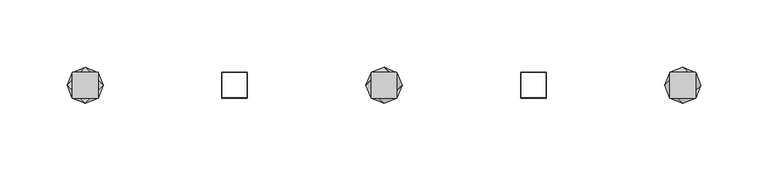
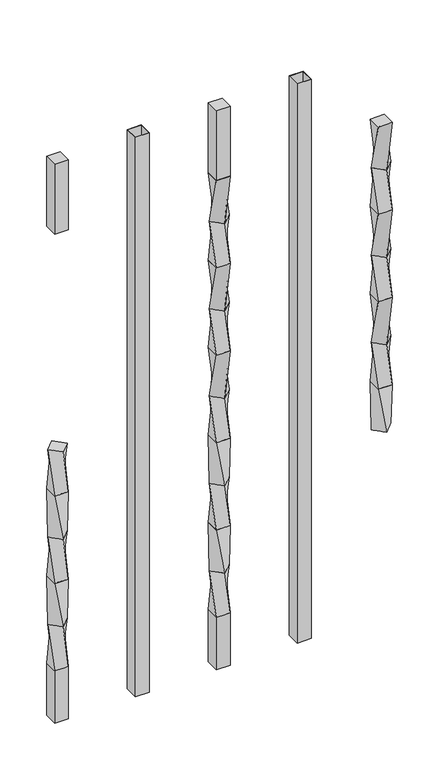
"""IFC4 building model written with IfcOpenShell, lengths in millimetres: railing geometry."""

from ifc_helpers import new_model, si_unit, frame, origin, place, context, project, spatial, polyline, outline, extrude, source, transform, mapped, element, save
from ifc_brep_helpers import plane_surface, spline_surface, advanced_brep


def railing_976fb2fc(model_context):
    return source(origin(), model_context, "Body", "SolidModel", [
        advanced_brep(
        [(17203.1798122, -60563.4367982, 495.2958781), (17216.6501964, -60549.966414, 495.2958781), (17203.1798122, -60536.4960298, 495.2958781), (17189.709428, -60549.966414, 495.2958781), (17212.7048122, -60559.491414, 431.7958781), (17193.6548122, -60559.491414, 431.7958781), (17193.6548122, -60540.441414, 431.7958781), (17212.7048122, -60540.441414, 431.7958781)],
        [
            (0, 1),
            (1, 2),
            (2, 3),
            (3, 0),
            (4, 5),
            (5, 6),
            (6, 7),
            (7, 4),
            (7, 1),
            (0, 4),
            (6, 2),
            (5, 3),
        ],
        [
            plane_surface(frame((17203.1798122, -60549.966414, 495.2958781), z_axis=(0.0, 0.0, 1.0), x_axis=(0.7071067811865477, -0.7071067811865474, 0.0))),
            plane_surface(frame((17203.1798122, -60549.966414, 431.7958781), z_axis=(0.0, 0.0, -1.0), x_axis=(0.7071067811865477, -0.7071067811865474, 0.0))),
            spline_surface(1, 1, [[(17212.7048122, -60559.491414, 431.7958781), (17203.1798122, -60563.4367982, 495.2958781)], [(17212.7048122, -60540.441414, 431.7958781), (17216.6501964, -60549.966414, 495.2958781)]], [2, 2], [2, 2], [0.0, 1.0], [0.0, 1.0]),
            spline_surface(1, 1, [[(17212.7048122, -60540.441414, 431.7958781), (17216.6501964, -60549.966414, 495.2958781)], [(17193.6548122, -60540.441414, 431.7958781), (17203.1798122, -60536.4960298, 495.2958781)]], [2, 2], [2, 2], [0.0, 1.0], [0.0, 1.0]),
            spline_surface(1, 1, [[(17193.6548122, -60540.441414, 431.7958781), (17203.1798122, -60536.4960298, 495.2958781)], [(17193.6548122, -60559.491414, 431.7958781), (17189.709428, -60549.966414, 495.2958781)]], [2, 2], [2, 2], [0.0, 1.0], [0.0, 1.0]),
            spline_surface(1, 1, [[(17193.6548122, -60559.491414, 431.7958781), (17189.709428, -60549.966414, 495.2958781)], [(17212.7048122, -60559.491414, 431.7958781), (17203.1798122, -60563.4367982, 495.2958781)]], [2, 2], [2, 2], [0.0, 1.0], [0.0, 1.0]),
        ],
        [
            (0, [[1, 2, 3, 4]]),
            (1, [[5, 6, 7, 8]]),
            (2, [[-8, 9, -1, 10]]),
            (3, [[-7, 11, -2, -9]]),
            (4, [[-6, 12, -3, -11]]),
            (5, [[-5, -10, -4, -12]]),
        ],
    ),
        advanced_brep(
        [(17212.7048122, -60559.491414, 431.7958781), (17212.7048122, -60540.441414, 431.7958781), (17193.6548122, -60540.441414, 431.7958781), (17193.6548122, -60559.491414, 431.7958781), (17216.6501964, -60549.966414, 368.2958781), (17203.1798122, -60563.4367982, 368.2958781), (17189.709428, -60549.966414, 368.2958781), (17203.1798122, -60536.4960298, 368.2958781)],
        [
            (0, 1),
            (1, 2),
            (2, 3),
            (3, 0),
            (4, 5),
            (5, 6),
            (6, 7),
            (7, 4),
            (7, 1),
            (0, 4),
            (6, 2),
            (5, 3),
        ],
        [
            plane_surface(frame((17203.1798122, -60549.966414, 431.7958781), z_axis=(0.0, 0.0, 1.0), x_axis=(0.0, 1.0, 0.0))),
            plane_surface(frame((17203.1798122, -60549.966414, 368.2958781), z_axis=(0.0, 0.0, -1.0), x_axis=(0.0, 1.0, 0.0))),
            spline_surface(1, 1, [[(17216.6501964, -60549.966414, 368.2958781), (17212.7048122, -60559.491414, 431.7958781)], [(17203.1798122, -60536.4960298, 368.2958781), (17212.7048122, -60540.441414, 431.7958781)]], [2, 2], [2, 2], [0.0, 1.0], [0.0, 1.0]),
            spline_surface(1, 1, [[(17203.1798122, -60536.4960298, 368.2958781), (17212.7048122, -60540.441414, 431.7958781)], [(17189.709428, -60549.966414, 368.2958781), (17193.6548122, -60540.441414, 431.7958781)]], [2, 2], [2, 2], [0.0, 1.0], [0.0, 1.0]),
            spline_surface(1, 1, [[(17189.709428, -60549.966414, 368.2958781), (17193.6548122, -60540.441414, 431.7958781)], [(17203.1798122, -60563.4367982, 368.2958781), (17193.6548122, -60559.491414, 431.7958781)]], [2, 2], [2, 2], [0.0, 1.0], [0.0, 1.0]),
            spline_surface(1, 1, [[(17203.1798122, -60563.4367982, 368.2958781), (17193.6548122, -60559.491414, 431.7958781)], [(17216.6501964, -60549.966414, 368.2958781), (17212.7048122, -60559.491414, 431.7958781)]], [2, 2], [2, 2], [0.0, 1.0], [0.0, 1.0]),
        ],
        [
            (0, [[1, 2, 3, 4]]),
            (1, [[5, 6, 7, 8]]),
            (2, [[-8, 9, -1, 10]]),
            (3, [[-7, 11, -2, -9]]),
            (4, [[-6, 12, -3, -11]]),
            (5, [[-5, -10, -4, -12]]),
        ],
    ),
        advanced_brep(
        [(17203.1798122, -60563.4367982, 368.2958781), (17216.6501964, -60549.966414, 368.2958781), (17203.1798122, -60536.4960298, 368.2958781), (17189.709428, -60549.966414, 368.2958781), (17212.7048122, -60559.491414, 304.7958781), (17193.6548122, -60559.491414, 304.7958781), (17193.6548122, -60540.441414, 304.7958781), (17212.7048122, -60540.441414, 304.7958781)],
        [
            (0, 1),
            (1, 2),
            (2, 3),
            (3, 0),
            (4, 5),
            (5, 6),
            (6, 7),
            (7, 4),
            (7, 1),
            (0, 4),
            (6, 2),
            (5, 3),
        ],
        [
            plane_surface(frame((17203.1798122, -60549.966414, 368.2958781), z_axis=(0.0, 0.0, 1.0), x_axis=(0.7071067811865477, -0.7071067811865475, 0.0))),
            plane_surface(frame((17203.1798122, -60549.966414, 304.7958781), z_axis=(0.0, 0.0, -1.0), x_axis=(0.7071067811865477, -0.7071067811865475, 0.0))),
            spline_surface(1, 1, [[(17212.7048122, -60559.491414, 304.7958781), (17203.1798122, -60563.4367982, 368.2958781)], [(17212.7048122, -60540.441414, 304.7958781), (17216.6501964, -60549.966414, 368.2958781)]], [2, 2], [2, 2], [0.0, 1.0], [0.0, 1.0]),
            spline_surface(1, 1, [[(17212.7048122, -60540.441414, 304.7958781), (17216.6501964, -60549.966414, 368.2958781)], [(17193.6548122, -60540.441414, 304.7958781), (17203.1798122, -60536.4960298, 368.2958781)]], [2, 2], [2, 2], [0.0, 1.0], [0.0, 1.0]),
            spline_surface(1, 1, [[(17193.6548122, -60540.441414, 304.7958781), (17203.1798122, -60536.4960298, 368.2958781)], [(17193.6548122, -60559.491414, 304.7958781), (17189.709428, -60549.966414, 368.2958781)]], [2, 2], [2, 2], [0.0, 1.0], [0.0, 1.0]),
            spline_surface(1, 1, [[(17193.6548122, -60559.491414, 304.7958781), (17189.709428, -60549.966414, 368.2958781)], [(17212.7048122, -60559.491414, 304.7958781), (17203.1798122, -60563.4367982, 368.2958781)]], [2, 2], [2, 2], [0.0, 1.0], [0.0, 1.0]),
        ],
        [
            (0, [[1, 2, 3, 4]]),
            (1, [[5, 6, 7, 8]]),
            (2, [[-8, 9, -1, 10]]),
            (3, [[-7, 11, -2, -9]]),
            (4, [[-6, 12, -3, -11]]),
            (5, [[-5, -10, -4, -12]]),
        ],
    ),
        advanced_brep(
        [(17212.7048122, -60559.491414, 304.7958781), (17212.7048122, -60540.441414, 304.7958781), (17193.6548122, -60540.441414, 304.7958781), (17193.6548122, -60559.491414, 304.7958781), (17216.6501964, -60549.966414, 241.2958781), (17203.1798122, -60563.4367982, 241.2958781), (17189.709428, -60549.966414, 241.2958781), (17203.1798122, -60536.4960298, 241.2958781)],
        [
            (0, 1),
            (1, 2),
            (2, 3),
            (3, 0),
            (4, 5),
            (5, 6),
            (6, 7),
            (7, 4),
            (7, 1),
            (0, 4),
            (6, 2),
            (5, 3),
        ],
        [
            plane_surface(frame((17203.1798122, -60549.966414, 304.7958781), z_axis=(0.0, 0.0, 1.0), x_axis=(0.0, 1.0, 0.0))),
            plane_surface(frame((17203.1798122, -60549.966414, 241.2958781), z_axis=(0.0, 0.0, -1.0), x_axis=(0.0, 1.0, 0.0))),
            spline_surface(1, 1, [[(17216.6501964, -60549.966414, 241.2958781), (17212.7048122, -60559.491414, 304.7958781)], [(17203.1798122, -60536.4960298, 241.2958781), (17212.7048122, -60540.441414, 304.7958781)]], [2, 2], [2, 2], [0.0, 1.0], [0.0, 1.0]),
            spline_surface(1, 1, [[(17203.1798122, -60536.4960298, 241.2958781), (17212.7048122, -60540.441414, 304.7958781)], [(17189.709428, -60549.966414, 241.2958781), (17193.6548122, -60540.441414, 304.7958781)]], [2, 2], [2, 2], [0.0, 1.0], [0.0, 1.0]),
            spline_surface(1, 1, [[(17189.709428, -60549.966414, 241.2958781), (17193.6548122, -60540.441414, 304.7958781)], [(17203.1798122, -60563.4367982, 241.2958781), (17193.6548122, -60559.491414, 304.7958781)]], [2, 2], [2, 2], [0.0, 1.0], [0.0, 1.0]),
            spline_surface(1, 1, [[(17203.1798122, -60563.4367982, 241.2958781), (17193.6548122, -60559.491414, 304.7958781)], [(17216.6501964, -60549.966414, 241.2958781), (17212.7048122, -60559.491414, 304.7958781)]], [2, 2], [2, 2], [0.0, 1.0], [0.0, 1.0]),
        ],
        [
            (0, [[1, 2, 3, 4]]),
            (1, [[5, 6, 7, 8]]),
            (2, [[-8, 9, -1, 10]]),
            (3, [[-7, 11, -2, -9]]),
            (4, [[-6, 12, -3, -11]]),
            (5, [[-5, -10, -4, -12]]),
        ],
    ),
        advanced_brep(
        [(17203.1798122, -60563.4367982, 241.2958781), (17216.6501964, -60549.966414, 241.2958781), (17203.1798122, -60536.4960298, 241.2958781), (17189.709428, -60549.966414, 241.2958781), (17212.7048122, -60559.491414, 177.7958781), (17193.6548122, -60559.491414, 177.7958781), (17193.6548122, -60540.441414, 177.7958781), (17212.7048122, -60540.441414, 177.7958781)],
        [
            (0, 1),
            (1, 2),
            (2, 3),
            (3, 0),
            (4, 5),
            (5, 6),
            (6, 7),
            (7, 4),
            (7, 1),
            (0, 4),
            (6, 2),
            (5, 3),
        ],
        [
            plane_surface(frame((17203.1798122, -60549.966414, 241.2958781), z_axis=(0.0, 0.0, 1.0), x_axis=(0.7071067811865478, 0.7071067811865474, 0.0))),
            plane_surface(frame((17203.1798122, -60549.966414, 177.7958781), z_axis=(0.0, 0.0, -1.0), x_axis=(0.7071067811865478, 0.7071067811865474, 0.0))),
            spline_surface(1, 1, [[(17212.7048122, -60559.491414, 177.7958781), (17203.1798122, -60563.4367982, 241.2958781)], [(17212.7048122, -60540.441414, 177.7958781), (17216.6501964, -60549.966414, 241.2958781)]], [2, 2], [2, 2], [0.0, 1.0], [0.0, 1.0]),
            spline_surface(1, 1, [[(17212.7048122, -60540.441414, 177.7958781), (17216.6501964, -60549.966414, 241.2958781)], [(17193.6548122, -60540.441414, 177.7958781), (17203.1798122, -60536.4960298, 241.2958781)]], [2, 2], [2, 2], [0.0, 1.0], [0.0, 1.0]),
            spline_surface(1, 1, [[(17193.6548122, -60540.441414, 177.7958781), (17203.1798122, -60536.4960298, 241.2958781)], [(17193.6548122, -60559.491414, 177.7958781), (17189.709428, -60549.966414, 241.2958781)]], [2, 2], [2, 2], [0.0, 1.0], [0.0, 1.0]),
            spline_surface(1, 1, [[(17193.6548122, -60559.491414, 177.7958781), (17189.709428, -60549.966414, 241.2958781)], [(17212.7048122, -60559.491414, 177.7958781), (17203.1798122, -60563.4367982, 241.2958781)]], [2, 2], [2, 2], [0.0, 1.0], [0.0, 1.0]),
        ],
        [
            (0, [[1, 2, 3, 4]]),
            (1, [[5, 6, 7, 8]]),
            (2, [[-8, 9, -1, 10]]),
            (3, [[-7, 11, -2, -9]]),
            (4, [[-6, 12, -3, -11]]),
            (5, [[-5, -10, -4, -12]]),
        ],
    ),
        extrude(outline(polyline([(17212.7048122, -60559.491414), (17193.6548122, -60559.491414), (17193.6548122, -60540.441414), (17212.7048122, -60540.441414), (17212.7048122, -60559.491414)])), frame((0.0, 0.0, 812.7958781), z_axis=(0.0, 0.0, 1.0), x_axis=(1.0, 0.0, 0.0)), (0.0, 0.0, 1.0), 101.6041219),
        extrude(outline(polyline([(17212.7048122, -60559.491414), (17193.6548122, -60559.491414), (17193.6548122, -60540.441414), (17212.7048122, -60540.441414), (17212.7048122, -60559.491414)])), frame((0.0, 0.0, 101.5958781), z_axis=(0.0, 0.0, 1.0), x_axis=(1.0, 0.0, 0.0)), (0.0, 0.0, 1.0), 76.2),
        extrude(outline(polyline([(17323.9568122, -60559.491414), (17304.9068122, -60559.491414), (17304.9068122, -60540.441414), (17323.9568122, -60540.441414), (17323.9568122, -60559.491414)]), holes=[polyline([(17323.5599372, -60559.094539), (17323.5599372, -60540.838289), (17305.3036872, -60540.838289), (17305.3036872, -60559.094539), (17323.5599372, -60559.094539)])]), frame((0.0, 0.0, 101.5958781), z_axis=(0.0, 0.0, 1.0), x_axis=(1.0, 0.0, 0.0)), (0.0, 0.0, 1.0), 812.8041219),
        advanced_brep(
        [(17416.1588122, -60559.491414, 812.7958781), (17435.2088122, -60559.491414, 812.7958781), (17435.2088122, -60540.441414, 812.7958781), (17416.1588122, -60540.441414, 812.7958781), (17412.213428, -60549.966414, 749.2958781), (17425.6838122, -60536.4960298, 749.2958781), (17439.1541964, -60549.966414, 749.2958781), (17425.6838122, -60563.4367982, 749.2958781)],
        [
            (0, 1),
            (1, 2),
            (2, 3),
            (3, 0),
            (4, 5),
            (5, 6),
            (6, 7),
            (7, 4),
            (7, 1),
            (0, 4),
            (6, 2),
            (5, 3),
        ],
        [
            plane_surface(frame((17425.6838122, -60549.966414, 812.7958781), z_axis=(0.0, 0.0, 1.0), x_axis=(0.0, 1.0, 0.0))),
            plane_surface(frame((17425.6838122, -60549.966414, 749.2958781), z_axis=(0.0, 0.0, -1.0), x_axis=(0.0, 1.0, 0.0))),
            spline_surface(1, 1, [[(17412.213428, -60549.966414, 749.2958781), (17416.1588122, -60559.491414, 812.7958781)], [(17425.6838122, -60563.4367982, 749.2958781), (17435.2088122, -60559.491414, 812.7958781)]], [2, 2], [2, 2], [0.0, 1.0], [0.0, 1.0]),
            spline_surface(1, 1, [[(17425.6838122, -60563.4367982, 749.2958781), (17435.2088122, -60559.491414, 812.7958781)], [(17439.1541964, -60549.966414, 749.2958781), (17435.2088122, -60540.441414, 812.7958781)]], [2, 2], [2, 2], [0.0, 1.0], [0.0, 1.0]),
            spline_surface(1, 1, [[(17439.1541964, -60549.966414, 749.2958781), (17435.2088122, -60540.441414, 812.7958781)], [(17425.6838122, -60536.4960298, 749.2958781), (17416.1588122, -60540.441414, 812.7958781)]], [2, 2], [2, 2], [0.0, 1.0], [0.0, 1.0]),
            spline_surface(1, 1, [[(17425.6838122, -60536.4960298, 749.2958781), (17416.1588122, -60540.441414, 812.7958781)], [(17412.213428, -60549.966414, 749.2958781), (17416.1588122, -60559.491414, 812.7958781)]], [2, 2], [2, 2], [0.0, 1.0], [0.0, 1.0]),
        ],
        [
            (0, [[1, 2, 3, 4]]),
            (1, [[5, 6, 7, 8]]),
            (2, [[-8, 9, -1, 10]]),
            (3, [[-7, 11, -2, -9]]),
            (4, [[-6, 12, -3, -11]]),
            (5, [[-5, -10, -4, -12]]),
        ],
    ),
        advanced_brep(
        [(17425.6838122, -60563.4367982, 749.2958781), (17439.1541964, -60549.966414, 749.2958781), (17425.6838122, -60536.4960298, 749.2958781), (17412.213428, -60549.966414, 749.2958781), (17435.2088122, -60559.491414, 685.7958781), (17416.1588122, -60559.491414, 685.7958781), (17416.1588122, -60540.441414, 685.7958781), (17435.2088122, -60540.441414, 685.7958781)],
        [
            (0, 1),
            (1, 2),
            (2, 3),
            (3, 0),
            (4, 5),
            (5, 6),
            (6, 7),
            (7, 4),
            (7, 1),
            (0, 4),
            (6, 2),
            (5, 3),
        ],
        [
            plane_surface(frame((17425.6838122, -60549.966414, 749.2958781), z_axis=(0.0, 0.0, 1.0), x_axis=(0.7071067811865477, -0.7071067811865474, 0.0))),
            plane_surface(frame((17425.6838122, -60549.966414, 685.7958781), z_axis=(0.0, 0.0, -1.0), x_axis=(0.7071067811865477, -0.7071067811865474, 0.0))),
            spline_surface(1, 1, [[(17435.2088122, -60559.491414, 685.7958781), (17425.6838122, -60563.4367982, 749.2958781)], [(17435.2088122, -60540.441414, 685.7958781), (17439.1541964, -60549.966414, 749.2958781)]], [2, 2], [2, 2], [0.0, 1.0], [0.0, 1.0]),
            spline_surface(1, 1, [[(17435.2088122, -60540.441414, 685.7958781), (17439.1541964, -60549.966414, 749.2958781)], [(17416.1588122, -60540.441414, 685.7958781), (17425.6838122, -60536.4960298, 749.2958781)]], [2, 2], [2, 2], [0.0, 1.0], [0.0, 1.0]),
            spline_surface(1, 1, [[(17416.1588122, -60540.441414, 685.7958781), (17425.6838122, -60536.4960298, 749.2958781)], [(17416.1588122, -60559.491414, 685.7958781), (17412.213428, -60549.966414, 749.2958781)]], [2, 2], [2, 2], [0.0, 1.0], [0.0, 1.0]),
            spline_surface(1, 1, [[(17416.1588122, -60559.491414, 685.7958781), (17412.213428, -60549.966414, 749.2958781)], [(17435.2088122, -60559.491414, 685.7958781), (17425.6838122, -60563.4367982, 749.2958781)]], [2, 2], [2, 2], [0.0, 1.0], [0.0, 1.0]),
        ],
        [
            (0, [[1, 2, 3, 4]]),
            (1, [[5, 6, 7, 8]]),
            (2, [[-8, 9, -1, 10]]),
            (3, [[-7, 11, -2, -9]]),
            (4, [[-6, 12, -3, -11]]),
            (5, [[-5, -10, -4, -12]]),
        ],
    ),
        advanced_brep(
        [(17416.1588122, -60559.491414, 685.7958781), (17435.2088122, -60559.491414, 685.7958781), (17435.2088122, -60540.441414, 685.7958781), (17416.1588122, -60540.441414, 685.7958781), (17412.213428, -60549.966414, 622.2958781), (17425.6838122, -60536.4960298, 622.2958781), (17439.1541964, -60549.966414, 622.2958781), (17425.6838122, -60563.4367982, 622.2958781)],
        [
            (0, 1),
            (1, 2),
            (2, 3),
            (3, 0),
            (4, 5),
            (5, 6),
            (6, 7),
            (7, 4),
            (7, 1),
            (0, 4),
            (6, 2),
            (5, 3),
        ],
        [
            plane_surface(frame((17425.6838122, -60549.966414, 685.7958781), z_axis=(0.0, 0.0, 1.0), x_axis=(0.0, 1.0, 0.0))),
            plane_surface(frame((17425.6838122, -60549.966414, 622.2958781), z_axis=(0.0, 0.0, -1.0), x_axis=(0.0, 1.0, 0.0))),
            spline_surface(1, 1, [[(17412.213428, -60549.966414, 622.2958781), (17416.1588122, -60559.491414, 685.7958781)], [(17425.6838122, -60563.4367982, 622.2958781), (17435.2088122, -60559.491414, 685.7958781)]], [2, 2], [2, 2], [0.0, 1.0], [0.0, 1.0]),
            spline_surface(1, 1, [[(17425.6838122, -60563.4367982, 622.2958781), (17435.2088122, -60559.491414, 685.7958781)], [(17439.1541964, -60549.966414, 622.2958781), (17435.2088122, -60540.441414, 685.7958781)]], [2, 2], [2, 2], [0.0, 1.0], [0.0, 1.0]),
            spline_surface(1, 1, [[(17439.1541964, -60549.966414, 622.2958781), (17435.2088122, -60540.441414, 685.7958781)], [(17425.6838122, -60536.4960298, 622.2958781), (17416.1588122, -60540.441414, 685.7958781)]], [2, 2], [2, 2], [0.0, 1.0], [0.0, 1.0]),
            spline_surface(1, 1, [[(17425.6838122, -60536.4960298, 622.2958781), (17416.1588122, -60540.441414, 685.7958781)], [(17412.213428, -60549.966414, 622.2958781), (17416.1588122, -60559.491414, 685.7958781)]], [2, 2], [2, 2], [0.0, 1.0], [0.0, 1.0]),
        ],
        [
            (0, [[1, 2, 3, 4]]),
            (1, [[5, 6, 7, 8]]),
            (2, [[-8, 9, -1, 10]]),
            (3, [[-7, 11, -2, -9]]),
            (4, [[-6, 12, -3, -11]]),
            (5, [[-5, -10, -4, -12]]),
        ],
    ),
        advanced_brep(
        [(17425.6838122, -60563.4367982, 622.2958781), (17439.1541964, -60549.966414, 622.2958781), (17425.6838122, -60536.4960298, 622.2958781), (17412.213428, -60549.966414, 622.2958781), (17435.2088122, -60559.491414, 558.7958781), (17416.1588122, -60559.491414, 558.7958781), (17416.1588122, -60540.441414, 558.7958781), (17435.2088122, -60540.441414, 558.7958781)],
        [
            (0, 1),
            (1, 2),
            (2, 3),
            (3, 0),
            (4, 5),
            (5, 6),
            (6, 7),
            (7, 4),
            (7, 1),
            (0, 4),
            (6, 2),
            (5, 3),
        ],
        [
            plane_surface(frame((17425.6838122, -60549.966414, 622.2958781), z_axis=(0.0, 0.0, 1.0), x_axis=(0.7071067811865477, -0.7071067811865475, 0.0))),
            plane_surface(frame((17425.6838122, -60549.966414, 558.7958781), z_axis=(0.0, 0.0, -1.0), x_axis=(0.7071067811865477, -0.7071067811865475, 0.0))),
            spline_surface(1, 1, [[(17435.2088122, -60559.491414, 558.7958781), (17425.6838122, -60563.4367982, 622.2958781)], [(17435.2088122, -60540.441414, 558.7958781), (17439.1541964, -60549.966414, 622.2958781)]], [2, 2], [2, 2], [0.0, 1.0], [0.0, 1.0]),
            spline_surface(1, 1, [[(17435.2088122, -60540.441414, 558.7958781), (17439.1541964, -60549.966414, 622.2958781)], [(17416.1588122, -60540.441414, 558.7958781), (17425.6838122, -60536.4960298, 622.2958781)]], [2, 2], [2, 2], [0.0, 1.0], [0.0, 1.0]),
            spline_surface(1, 1, [[(17416.1588122, -60540.441414, 558.7958781), (17425.6838122, -60536.4960298, 622.2958781)], [(17416.1588122, -60559.491414, 558.7958781), (17412.213428, -60549.966414, 622.2958781)]], [2, 2], [2, 2], [0.0, 1.0], [0.0, 1.0]),
            spline_surface(1, 1, [[(17416.1588122, -60559.491414, 558.7958781), (17412.213428, -60549.966414, 622.2958781)], [(17435.2088122, -60559.491414, 558.7958781), (17425.6838122, -60563.4367982, 622.2958781)]], [2, 2], [2, 2], [0.0, 1.0], [0.0, 1.0]),
        ],
        [
            (0, [[1, 2, 3, 4]]),
            (1, [[5, 6, 7, 8]]),
            (2, [[-8, 9, -1, 10]]),
            (3, [[-7, 11, -2, -9]]),
            (4, [[-6, 12, -3, -11]]),
            (5, [[-5, -10, -4, -12]]),
        ],
    ),
        advanced_brep(
        [(17416.1588122, -60559.491414, 558.7958781), (17435.2088122, -60559.491414, 558.7958781), (17435.2088122, -60540.441414, 558.7958781), (17416.1588122, -60540.441414, 558.7958781), (17412.213428, -60549.966414, 495.2958781), (17425.6838122, -60536.4960298, 495.2958781), (17439.1541964, -60549.966414, 495.2958781), (17425.6838122, -60563.4367982, 495.2958781)],
        [
            (0, 1),
            (1, 2),
            (2, 3),
            (3, 0),
            (4, 5),
            (5, 6),
            (6, 7),
            (7, 4),
            (7, 1),
            (0, 4),
            (6, 2),
            (5, 3),
        ],
        [
            plane_surface(frame((17425.6838122, -60549.966414, 558.7958781), z_axis=(0.0, 0.0, 1.0), x_axis=(0.0, 1.0, 0.0))),
            plane_surface(frame((17425.6838122, -60549.966414, 495.2958781), z_axis=(0.0, 0.0, -1.0), x_axis=(0.0, 1.0, 0.0))),
            spline_surface(1, 1, [[(17412.213428, -60549.966414, 495.2958781), (17416.1588122, -60559.491414, 558.7958781)], [(17425.6838122, -60563.4367982, 495.2958781), (17435.2088122, -60559.491414, 558.7958781)]], [2, 2], [2, 2], [0.0, 1.0], [0.0, 1.0]),
            spline_surface(1, 1, [[(17425.6838122, -60563.4367982, 495.2958781), (17435.2088122, -60559.491414, 558.7958781)], [(17439.1541964, -60549.966414, 495.2958781), (17435.2088122, -60540.441414, 558.7958781)]], [2, 2], [2, 2], [0.0, 1.0], [0.0, 1.0]),
            spline_surface(1, 1, [[(17439.1541964, -60549.966414, 495.2958781), (17435.2088122, -60540.441414, 558.7958781)], [(17425.6838122, -60536.4960298, 495.2958781), (17416.1588122, -60540.441414, 558.7958781)]], [2, 2], [2, 2], [0.0, 1.0], [0.0, 1.0]),
            spline_surface(1, 1, [[(17425.6838122, -60536.4960298, 495.2958781), (17416.1588122, -60540.441414, 558.7958781)], [(17412.213428, -60549.966414, 495.2958781), (17416.1588122, -60559.491414, 558.7958781)]], [2, 2], [2, 2], [0.0, 1.0], [0.0, 1.0]),
        ],
        [
            (0, [[1, 2, 3, 4]]),
            (1, [[5, 6, 7, 8]]),
            (2, [[-8, 9, -1, 10]]),
            (3, [[-7, 11, -2, -9]]),
            (4, [[-6, 12, -3, -11]]),
            (5, [[-5, -10, -4, -12]]),
        ],
    ),
        advanced_brep(
        [(17425.6838122, -60563.4367982, 495.2958781), (17439.1541964, -60549.966414, 495.2958781), (17425.6838122, -60536.4960298, 495.2958781), (17412.213428, -60549.966414, 495.2958781), (17435.2088122, -60559.491414, 431.7958781), (17416.1588122, -60559.491414, 431.7958781), (17416.1588122, -60540.441414, 431.7958781), (17435.2088122, -60540.441414, 431.7958781)],
        [
            (0, 1),
            (1, 2),
            (2, 3),
            (3, 0),
            (4, 5),
            (5, 6),
            (6, 7),
            (7, 4),
            (7, 1),
            (0, 4),
            (6, 2),
            (5, 3),
        ],
        [
            plane_surface(frame((17425.6838122, -60549.966414, 495.2958781), z_axis=(0.0, 0.0, 1.0), x_axis=(0.7071067811865477, -0.7071067811865474, 0.0))),
            plane_surface(frame((17425.6838122, -60549.966414, 431.7958781), z_axis=(0.0, 0.0, -1.0), x_axis=(0.7071067811865477, -0.7071067811865474, 0.0))),
            spline_surface(1, 1, [[(17435.2088122, -60559.491414, 431.7958781), (17425.6838122, -60563.4367982, 495.2958781)], [(17435.2088122, -60540.441414, 431.7958781), (17439.1541964, -60549.966414, 495.2958781)]], [2, 2], [2, 2], [0.0, 1.0], [0.0, 1.0]),
            spline_surface(1, 1, [[(17435.2088122, -60540.441414, 431.7958781), (17439.1541964, -60549.966414, 495.2958781)], [(17416.1588122, -60540.441414, 431.7958781), (17425.6838122, -60536.4960298, 495.2958781)]], [2, 2], [2, 2], [0.0, 1.0], [0.0, 1.0]),
            spline_surface(1, 1, [[(17416.1588122, -60540.441414, 431.7958781), (17425.6838122, -60536.4960298, 495.2958781)], [(17416.1588122, -60559.491414, 431.7958781), (17412.213428, -60549.966414, 495.2958781)]], [2, 2], [2, 2], [0.0, 1.0], [0.0, 1.0]),
            spline_surface(1, 1, [[(17416.1588122, -60559.491414, 431.7958781), (17412.213428, -60549.966414, 495.2958781)], [(17435.2088122, -60559.491414, 431.7958781), (17425.6838122, -60563.4367982, 495.2958781)]], [2, 2], [2, 2], [0.0, 1.0], [0.0, 1.0]),
        ],
        [
            (0, [[1, 2, 3, 4]]),
            (1, [[5, 6, 7, 8]]),
            (2, [[-8, 9, -1, 10]]),
            (3, [[-7, 11, -2, -9]]),
            (4, [[-6, 12, -3, -11]]),
            (5, [[-5, -10, -4, -12]]),
        ],
    ),
        advanced_brep(
        [(17435.2088122, -60559.491414, 431.7958781), (17435.2088122, -60540.441414, 431.7958781), (17416.1588122, -60540.441414, 431.7958781), (17416.1588122, -60559.491414, 431.7958781), (17439.1541964, -60549.966414, 368.2958781), (17425.6838122, -60563.4367982, 368.2958781), (17412.213428, -60549.966414, 368.2958781), (17425.6838122, -60536.4960298, 368.2958781)],
        [
            (0, 1),
            (1, 2),
            (2, 3),
            (3, 0),
            (4, 5),
            (5, 6),
            (6, 7),
            (7, 4),
            (7, 1),
            (0, 4),
            (6, 2),
            (5, 3),
        ],
        [
            plane_surface(frame((17425.6838122, -60549.966414, 431.7958781), z_axis=(0.0, 0.0, 1.0), x_axis=(0.0, 1.0, 0.0))),
            plane_surface(frame((17425.6838122, -60549.966414, 368.2958781), z_axis=(0.0, 0.0, -1.0), x_axis=(0.0, 1.0, 0.0))),
            spline_surface(1, 1, [[(17439.1541964, -60549.966414, 368.2958781), (17435.2088122, -60559.491414, 431.7958781)], [(17425.6838122, -60536.4960298, 368.2958781), (17435.2088122, -60540.441414, 431.7958781)]], [2, 2], [2, 2], [0.0, 1.0], [0.0, 1.0]),
            spline_surface(1, 1, [[(17425.6838122, -60536.4960298, 368.2958781), (17435.2088122, -60540.441414, 431.7958781)], [(17412.213428, -60549.966414, 368.2958781), (17416.1588122, -60540.441414, 431.7958781)]], [2, 2], [2, 2], [0.0, 1.0], [0.0, 1.0]),
            spline_surface(1, 1, [[(17412.213428, -60549.966414, 368.2958781), (17416.1588122, -60540.441414, 431.7958781)], [(17425.6838122, -60563.4367982, 368.2958781), (17416.1588122, -60559.491414, 431.7958781)]], [2, 2], [2, 2], [0.0, 1.0], [0.0, 1.0]),
            spline_surface(1, 1, [[(17425.6838122, -60563.4367982, 368.2958781), (17416.1588122, -60559.491414, 431.7958781)], [(17439.1541964, -60549.966414, 368.2958781), (17435.2088122, -60559.491414, 431.7958781)]], [2, 2], [2, 2], [0.0, 1.0], [0.0, 1.0]),
        ],
        [
            (0, [[1, 2, 3, 4]]),
            (1, [[5, 6, 7, 8]]),
            (2, [[-8, 9, -1, 10]]),
            (3, [[-7, 11, -2, -9]]),
            (4, [[-6, 12, -3, -11]]),
            (5, [[-5, -10, -4, -12]]),
        ],
    ),
        advanced_brep(
        [(17425.6838122, -60563.4367982, 368.2958781), (17439.1541964, -60549.966414, 368.2958781), (17425.6838122, -60536.4960298, 368.2958781), (17412.213428, -60549.966414, 368.2958781), (17435.2088122, -60559.491414, 304.7958781), (17416.1588122, -60559.491414, 304.7958781), (17416.1588122, -60540.441414, 304.7958781), (17435.2088122, -60540.441414, 304.7958781)],
        [
            (0, 1),
            (1, 2),
            (2, 3),
            (3, 0),
            (4, 5),
            (5, 6),
            (6, 7),
            (7, 4),
            (7, 1),
            (0, 4),
            (6, 2),
            (5, 3),
        ],
        [
            plane_surface(frame((17425.6838122, -60549.966414, 368.2958781), z_axis=(0.0, 0.0, 1.0), x_axis=(0.7071067811865477, -0.7071067811865475, 0.0))),
            plane_surface(frame((17425.6838122, -60549.966414, 304.7958781), z_axis=(0.0, 0.0, -1.0), x_axis=(0.7071067811865477, -0.7071067811865475, 0.0))),
            spline_surface(1, 1, [[(17435.2088122, -60559.491414, 304.7958781), (17425.6838122, -60563.4367982, 368.2958781)], [(17435.2088122, -60540.441414, 304.7958781), (17439.1541964, -60549.966414, 368.2958781)]], [2, 2], [2, 2], [0.0, 1.0], [0.0, 1.0]),
            spline_surface(1, 1, [[(17435.2088122, -60540.441414, 304.7958781), (17439.1541964, -60549.966414, 368.2958781)], [(17416.1588122, -60540.441414, 304.7958781), (17425.6838122, -60536.4960298, 368.2958781)]], [2, 2], [2, 2], [0.0, 1.0], [0.0, 1.0]),
            spline_surface(1, 1, [[(17416.1588122, -60540.441414, 304.7958781), (17425.6838122, -60536.4960298, 368.2958781)], [(17416.1588122, -60559.491414, 304.7958781), (17412.213428, -60549.966414, 368.2958781)]], [2, 2], [2, 2], [0.0, 1.0], [0.0, 1.0]),
            spline_surface(1, 1, [[(17416.1588122, -60559.491414, 304.7958781), (17412.213428, -60549.966414, 368.2958781)], [(17435.2088122, -60559.491414, 304.7958781), (17425.6838122, -60563.4367982, 368.2958781)]], [2, 2], [2, 2], [0.0, 1.0], [0.0, 1.0]),
        ],
        [
            (0, [[1, 2, 3, 4]]),
            (1, [[5, 6, 7, 8]]),
            (2, [[-8, 9, -1, 10]]),
            (3, [[-7, 11, -2, -9]]),
            (4, [[-6, 12, -3, -11]]),
            (5, [[-5, -10, -4, -12]]),
        ],
    ),
        advanced_brep(
        [(17435.2088122, -60559.491414, 304.7958781), (17435.2088122, -60540.441414, 304.7958781), (17416.1588122, -60540.441414, 304.7958781), (17416.1588122, -60559.491414, 304.7958781), (17439.1541964, -60549.966414, 241.2958781), (17425.6838122, -60563.4367982, 241.2958781), (17412.213428, -60549.966414, 241.2958781), (17425.6838122, -60536.4960298, 241.2958781)],
        [
            (0, 1),
            (1, 2),
            (2, 3),
            (3, 0),
            (4, 5),
            (5, 6),
            (6, 7),
            (7, 4),
            (7, 1),
            (0, 4),
            (6, 2),
            (5, 3),
        ],
        [
            plane_surface(frame((17425.6838122, -60549.966414, 304.7958781), z_axis=(0.0, 0.0, 1.0), x_axis=(0.0, 1.0, 0.0))),
            plane_surface(frame((17425.6838122, -60549.966414, 241.2958781), z_axis=(0.0, 0.0, -1.0), x_axis=(0.0, 1.0, 0.0))),
            spline_surface(1, 1, [[(17439.1541964, -60549.966414, 241.2958781), (17435.2088122, -60559.491414, 304.7958781)], [(17425.6838122, -60536.4960298, 241.2958781), (17435.2088122, -60540.441414, 304.7958781)]], [2, 2], [2, 2], [0.0, 1.0], [0.0, 1.0]),
            spline_surface(1, 1, [[(17425.6838122, -60536.4960298, 241.2958781), (17435.2088122, -60540.441414, 304.7958781)], [(17412.213428, -60549.966414, 241.2958781), (17416.1588122, -60540.441414, 304.7958781)]], [2, 2], [2, 2], [0.0, 1.0], [0.0, 1.0]),
            spline_surface(1, 1, [[(17412.213428, -60549.966414, 241.2958781), (17416.1588122, -60540.441414, 304.7958781)], [(17425.6838122, -60563.4367982, 241.2958781), (17416.1588122, -60559.491414, 304.7958781)]], [2, 2], [2, 2], [0.0, 1.0], [0.0, 1.0]),
            spline_surface(1, 1, [[(17425.6838122, -60563.4367982, 241.2958781), (17416.1588122, -60559.491414, 304.7958781)], [(17439.1541964, -60549.966414, 241.2958781), (17435.2088122, -60559.491414, 304.7958781)]], [2, 2], [2, 2], [0.0, 1.0], [0.0, 1.0]),
        ],
        [
            (0, [[1, 2, 3, 4]]),
            (1, [[5, 6, 7, 8]]),
            (2, [[-8, 9, -1, 10]]),
            (3, [[-7, 11, -2, -9]]),
            (4, [[-6, 12, -3, -11]]),
            (5, [[-5, -10, -4, -12]]),
        ],
    ),
        advanced_brep(
        [(17425.6838122, -60563.4367982, 241.2958781), (17439.1541964, -60549.966414, 241.2958781), (17425.6838122, -60536.4960298, 241.2958781), (17412.213428, -60549.966414, 241.2958781), (17435.2088122, -60559.491414, 177.7958781), (17416.1588122, -60559.491414, 177.7958781), (17416.1588122, -60540.441414, 177.7958781), (17435.2088122, -60540.441414, 177.7958781)],
        [
            (0, 1),
            (1, 2),
            (2, 3),
            (3, 0),
            (4, 5),
            (5, 6),
            (6, 7),
            (7, 4),
            (7, 1),
            (0, 4),
            (6, 2),
            (5, 3),
        ],
        [
            plane_surface(frame((17425.6838122, -60549.966414, 241.2958781), z_axis=(0.0, 0.0, 1.0), x_axis=(0.7071067811865478, 0.7071067811865474, 0.0))),
            plane_surface(frame((17425.6838122, -60549.966414, 177.7958781), z_axis=(0.0, 0.0, -1.0), x_axis=(0.7071067811865478, 0.7071067811865474, 0.0))),
            spline_surface(1, 1, [[(17435.2088122, -60559.491414, 177.7958781), (17425.6838122, -60563.4367982, 241.2958781)], [(17435.2088122, -60540.441414, 177.7958781), (17439.1541964, -60549.966414, 241.2958781)]], [2, 2], [2, 2], [0.0, 1.0], [0.0, 1.0]),
            spline_surface(1, 1, [[(17435.2088122, -60540.441414, 177.7958781), (17439.1541964, -60549.966414, 241.2958781)], [(17416.1588122, -60540.441414, 177.7958781), (17425.6838122, -60536.4960298, 241.2958781)]], [2, 2], [2, 2], [0.0, 1.0], [0.0, 1.0]),
            spline_surface(1, 1, [[(17416.1588122, -60540.441414, 177.7958781), (17425.6838122, -60536.4960298, 241.2958781)], [(17416.1588122, -60559.491414, 177.7958781), (17412.213428, -60549.966414, 241.2958781)]], [2, 2], [2, 2], [0.0, 1.0], [0.0, 1.0]),
            spline_surface(1, 1, [[(17416.1588122, -60559.491414, 177.7958781), (17412.213428, -60549.966414, 241.2958781)], [(17435.2088122, -60559.491414, 177.7958781), (17425.6838122, -60563.4367982, 241.2958781)]], [2, 2], [2, 2], [0.0, 1.0], [0.0, 1.0]),
        ],
        [
            (0, [[1, 2, 3, 4]]),
            (1, [[5, 6, 7, 8]]),
            (2, [[-8, 9, -1, 10]]),
            (3, [[-7, 11, -2, -9]]),
            (4, [[-6, 12, -3, -11]]),
            (5, [[-5, -10, -4, -12]]),
        ],
    ),
        extrude(outline(polyline([(17435.2088122, -60559.491414), (17416.1588122, -60559.491414), (17416.1588122, -60540.441414), (17435.2088122, -60540.441414), (17435.2088122, -60559.491414)])), frame((0.0, 0.0, 812.7958781), z_axis=(0.0, 0.0, 1.0), x_axis=(1.0, 0.0, 0.0)), (0.0, 0.0, 1.0), 101.6041219),
        extrude(outline(polyline([(17435.2088122, -60559.491414), (17416.1588122, -60559.491414), (17416.1588122, -60540.441414), (17435.2088122, -60540.441414), (17435.2088122, -60559.491414)])), frame((0.0, 0.0, 101.5958781), z_axis=(0.0, 0.0, 1.0), x_axis=(1.0, 0.0, 0.0)), (0.0, 0.0, 1.0), 76.2),
        extrude(outline(polyline([(17546.4608122, -60559.491414), (17527.4108122, -60559.491414), (17527.4108122, -60540.441414), (17546.4608122, -60540.441414), (17546.4608122, -60559.491414)]), holes=[polyline([(17546.0639372, -60559.094539), (17546.0639372, -60540.838289), (17527.8076872, -60540.838289), (17527.8076872, -60559.094539), (17546.0639372, -60559.094539)])]), frame((0.0, 0.0, 101.5958781), z_axis=(0.0, 0.0, 1.0), x_axis=(1.0, 0.0, 0.0)), (0.0, 0.0, 1.0), 812.8041219),
        advanced_brep(
        [(17638.6628122, -60559.491414, 812.7958781), (17657.7128122, -60559.491414, 812.7958781), (17657.7128122, -60540.441414, 812.7958781), (17638.6628122, -60540.441414, 812.7958781), (17634.717428, -60549.966414, 749.2958781), (17648.1878122, -60536.4960298, 749.2958781), (17661.6581964, -60549.966414, 749.2958781), (17648.1878122, -60563.4367982, 749.2958781)],
        [
            (0, 1),
            (1, 2),
            (2, 3),
            (3, 0),
            (4, 5),
            (5, 6),
            (6, 7),
            (7, 4),
            (7, 1),
            (0, 4),
            (6, 2),
            (5, 3),
        ],
        [
            plane_surface(frame((17648.1878122, -60549.966414, 812.7958781), z_axis=(0.0, 0.0, 1.0), x_axis=(0.0, 1.0, 0.0))),
            plane_surface(frame((17648.1878122, -60549.966414, 749.2958781), z_axis=(0.0, 0.0, -1.0), x_axis=(0.0, 1.0, 0.0))),
            spline_surface(1, 1, [[(17634.717428, -60549.966414, 749.2958781), (17638.6628122, -60559.491414, 812.7958781)], [(17648.1878122, -60563.4367982, 749.2958781), (17657.7128122, -60559.491414, 812.7958781)]], [2, 2], [2, 2], [0.0, 1.0], [0.0, 1.0]),
            spline_surface(1, 1, [[(17648.1878122, -60563.4367982, 749.2958781), (17657.7128122, -60559.491414, 812.7958781)], [(17661.6581964, -60549.966414, 749.2958781), (17657.7128122, -60540.441414, 812.7958781)]], [2, 2], [2, 2], [0.0, 1.0], [0.0, 1.0]),
            spline_surface(1, 1, [[(17661.6581964, -60549.966414, 749.2958781), (17657.7128122, -60540.441414, 812.7958781)], [(17648.1878122, -60536.4960298, 749.2958781), (17638.6628122, -60540.441414, 812.7958781)]], [2, 2], [2, 2], [0.0, 1.0], [0.0, 1.0]),
            spline_surface(1, 1, [[(17648.1878122, -60536.4960298, 749.2958781), (17638.6628122, -60540.441414, 812.7958781)], [(17634.717428, -60549.966414, 749.2958781), (17638.6628122, -60559.491414, 812.7958781)]], [2, 2], [2, 2], [0.0, 1.0], [0.0, 1.0]),
        ],
        [
            (0, [[1, 2, 3, 4]]),
            (1, [[5, 6, 7, 8]]),
            (2, [[-8, 9, -1, 10]]),
            (3, [[-7, 11, -2, -9]]),
            (4, [[-6, 12, -3, -11]]),
            (5, [[-5, -10, -4, -12]]),
        ],
    ),
        advanced_brep(
        [(17648.1878122, -60563.4367982, 749.2958781), (17661.6581964, -60549.966414, 749.2958781), (17648.1878122, -60536.4960298, 749.2958781), (17634.717428, -60549.966414, 749.2958781), (17657.7128122, -60559.491414, 685.7958781), (17638.6628122, -60559.491414, 685.7958781), (17638.6628122, -60540.441414, 685.7958781), (17657.7128122, -60540.441414, 685.7958781)],
        [
            (0, 1),
            (1, 2),
            (2, 3),
            (3, 0),
            (4, 5),
            (5, 6),
            (6, 7),
            (7, 4),
            (7, 1),
            (0, 4),
            (6, 2),
            (5, 3),
        ],
        [
            plane_surface(frame((17648.1878122, -60549.966414, 749.2958781), z_axis=(0.0, 0.0, 1.0), x_axis=(0.7071067811865477, -0.7071067811865474, 0.0))),
            plane_surface(frame((17648.1878122, -60549.966414, 685.7958781), z_axis=(0.0, 0.0, -1.0), x_axis=(0.7071067811865477, -0.7071067811865474, 0.0))),
            spline_surface(1, 1, [[(17657.7128122, -60559.491414, 685.7958781), (17648.1878122, -60563.4367982, 749.2958781)], [(17657.7128122, -60540.441414, 685.7958781), (17661.6581964, -60549.966414, 749.2958781)]], [2, 2], [2, 2], [0.0, 1.0], [0.0, 1.0]),
            spline_surface(1, 1, [[(17657.7128122, -60540.441414, 685.7958781), (17661.6581964, -60549.966414, 749.2958781)], [(17638.6628122, -60540.441414, 685.7958781), (17648.1878122, -60536.4960298, 749.2958781)]], [2, 2], [2, 2], [0.0, 1.0], [0.0, 1.0]),
            spline_surface(1, 1, [[(17638.6628122, -60540.441414, 685.7958781), (17648.1878122, -60536.4960298, 749.2958781)], [(17638.6628122, -60559.491414, 685.7958781), (17634.717428, -60549.966414, 749.2958781)]], [2, 2], [2, 2], [0.0, 1.0], [0.0, 1.0]),
            spline_surface(1, 1, [[(17638.6628122, -60559.491414, 685.7958781), (17634.717428, -60549.966414, 749.2958781)], [(17657.7128122, -60559.491414, 685.7958781), (17648.1878122, -60563.4367982, 749.2958781)]], [2, 2], [2, 2], [0.0, 1.0], [0.0, 1.0]),
        ],
        [
            (0, [[1, 2, 3, 4]]),
            (1, [[5, 6, 7, 8]]),
            (2, [[-8, 9, -1, 10]]),
            (3, [[-7, 11, -2, -9]]),
            (4, [[-6, 12, -3, -11]]),
            (5, [[-5, -10, -4, -12]]),
        ],
    ),
        advanced_brep(
        [(17638.6628122, -60559.491414, 685.7958781), (17657.7128122, -60559.491414, 685.7958781), (17657.7128122, -60540.441414, 685.7958781), (17638.6628122, -60540.441414, 685.7958781), (17634.717428, -60549.966414, 622.2958781), (17648.1878122, -60536.4960298, 622.2958781), (17661.6581964, -60549.966414, 622.2958781), (17648.1878122, -60563.4367982, 622.2958781)],
        [
            (0, 1),
            (1, 2),
            (2, 3),
            (3, 0),
            (4, 5),
            (5, 6),
            (6, 7),
            (7, 4),
            (7, 1),
            (0, 4),
            (6, 2),
            (5, 3),
        ],
        [
            plane_surface(frame((17648.1878122, -60549.966414, 685.7958781), z_axis=(0.0, 0.0, 1.0), x_axis=(0.0, 1.0, 0.0))),
            plane_surface(frame((17648.1878122, -60549.966414, 622.2958781), z_axis=(0.0, 0.0, -1.0), x_axis=(0.0, 1.0, 0.0))),
            spline_surface(1, 1, [[(17634.717428, -60549.966414, 622.2958781), (17638.6628122, -60559.491414, 685.7958781)], [(17648.1878122, -60563.4367982, 622.2958781), (17657.7128122, -60559.491414, 685.7958781)]], [2, 2], [2, 2], [0.0, 1.0], [0.0, 1.0]),
            spline_surface(1, 1, [[(17648.1878122, -60563.4367982, 622.2958781), (17657.7128122, -60559.491414, 685.7958781)], [(17661.6581964, -60549.966414, 622.2958781), (17657.7128122, -60540.441414, 685.7958781)]], [2, 2], [2, 2], [0.0, 1.0], [0.0, 1.0]),
            spline_surface(1, 1, [[(17661.6581964, -60549.966414, 622.2958781), (17657.7128122, -60540.441414, 685.7958781)], [(17648.1878122, -60536.4960298, 622.2958781), (17638.6628122, -60540.441414, 685.7958781)]], [2, 2], [2, 2], [0.0, 1.0], [0.0, 1.0]),
            spline_surface(1, 1, [[(17648.1878122, -60536.4960298, 622.2958781), (17638.6628122, -60540.441414, 685.7958781)], [(17634.717428, -60549.966414, 622.2958781), (17638.6628122, -60559.491414, 685.7958781)]], [2, 2], [2, 2], [0.0, 1.0], [0.0, 1.0]),
        ],
        [
            (0, [[1, 2, 3, 4]]),
            (1, [[5, 6, 7, 8]]),
            (2, [[-8, 9, -1, 10]]),
            (3, [[-7, 11, -2, -9]]),
            (4, [[-6, 12, -3, -11]]),
            (5, [[-5, -10, -4, -12]]),
        ],
    ),
        advanced_brep(
        [(17648.1878122, -60563.4367982, 622.2958781), (17661.6581964, -60549.966414, 622.2958781), (17648.1878122, -60536.4960298, 622.2958781), (17634.717428, -60549.966414, 622.2958781), (17657.7128122, -60559.491414, 558.7958781), (17638.6628122, -60559.491414, 558.7958781), (17638.6628122, -60540.441414, 558.7958781), (17657.7128122, -60540.441414, 558.7958781)],
        [
            (0, 1),
            (1, 2),
            (2, 3),
            (3, 0),
            (4, 5),
            (5, 6),
            (6, 7),
            (7, 4),
            (7, 1),
            (0, 4),
            (6, 2),
            (5, 3),
        ],
        [
            plane_surface(frame((17648.1878122, -60549.966414, 622.2958781), z_axis=(0.0, 0.0, 1.0), x_axis=(0.7071067811865477, -0.7071067811865475, 0.0))),
            plane_surface(frame((17648.1878122, -60549.966414, 558.7958781), z_axis=(0.0, 0.0, -1.0), x_axis=(0.7071067811865477, -0.7071067811865475, 0.0))),
            spline_surface(1, 1, [[(17657.7128122, -60559.491414, 558.7958781), (17648.1878122, -60563.4367982, 622.2958781)], [(17657.7128122, -60540.441414, 558.7958781), (17661.6581964, -60549.966414, 622.2958781)]], [2, 2], [2, 2], [0.0, 1.0], [0.0, 1.0]),
            spline_surface(1, 1, [[(17657.7128122, -60540.441414, 558.7958781), (17661.6581964, -60549.966414, 622.2958781)], [(17638.6628122, -60540.441414, 558.7958781), (17648.1878122, -60536.4960298, 622.2958781)]], [2, 2], [2, 2], [0.0, 1.0], [0.0, 1.0]),
            spline_surface(1, 1, [[(17638.6628122, -60540.441414, 558.7958781), (17648.1878122, -60536.4960298, 622.2958781)], [(17638.6628122, -60559.491414, 558.7958781), (17634.717428, -60549.966414, 622.2958781)]], [2, 2], [2, 2], [0.0, 1.0], [0.0, 1.0]),
            spline_surface(1, 1, [[(17638.6628122, -60559.491414, 558.7958781), (17634.717428, -60549.966414, 622.2958781)], [(17657.7128122, -60559.491414, 558.7958781), (17648.1878122, -60563.4367982, 622.2958781)]], [2, 2], [2, 2], [0.0, 1.0], [0.0, 1.0]),
        ],
        [
            (0, [[1, 2, 3, 4]]),
            (1, [[5, 6, 7, 8]]),
            (2, [[-8, 9, -1, 10]]),
            (3, [[-7, 11, -2, -9]]),
            (4, [[-6, 12, -3, -11]]),
            (5, [[-5, -10, -4, -12]]),
        ],
    ),
        advanced_brep(
        [(17638.6628122, -60559.491414, 558.7958781), (17657.7128122, -60559.491414, 558.7958781), (17657.7128122, -60540.441414, 558.7958781), (17638.6628122, -60540.441414, 558.7958781), (17634.717428, -60549.966414, 495.2958781), (17648.1878122, -60536.4960298, 495.2958781), (17661.6581964, -60549.966414, 495.2958781), (17648.1878122, -60563.4367982, 495.2958781)],
        [
            (0, 1),
            (1, 2),
            (2, 3),
            (3, 0),
            (4, 5),
            (5, 6),
            (6, 7),
            (7, 4),
            (7, 1),
            (0, 4),
            (6, 2),
            (5, 3),
        ],
        [
            plane_surface(frame((17648.1878122, -60549.966414, 558.7958781), z_axis=(0.0, 0.0, 1.0), x_axis=(0.0, 1.0, 0.0))),
            plane_surface(frame((17648.1878122, -60549.966414, 495.2958781), z_axis=(0.0, 0.0, -1.0), x_axis=(0.0, 1.0, 0.0))),
            spline_surface(1, 1, [[(17634.717428, -60549.966414, 495.2958781), (17638.6628122, -60559.491414, 558.7958781)], [(17648.1878122, -60563.4367982, 495.2958781), (17657.7128122, -60559.491414, 558.7958781)]], [2, 2], [2, 2], [0.0, 1.0], [0.0, 1.0]),
            spline_surface(1, 1, [[(17648.1878122, -60563.4367982, 495.2958781), (17657.7128122, -60559.491414, 558.7958781)], [(17661.6581964, -60549.966414, 495.2958781), (17657.7128122, -60540.441414, 558.7958781)]], [2, 2], [2, 2], [0.0, 1.0], [0.0, 1.0]),
            spline_surface(1, 1, [[(17661.6581964, -60549.966414, 495.2958781), (17657.7128122, -60540.441414, 558.7958781)], [(17648.1878122, -60536.4960298, 495.2958781), (17638.6628122, -60540.441414, 558.7958781)]], [2, 2], [2, 2], [0.0, 1.0], [0.0, 1.0]),
            spline_surface(1, 1, [[(17648.1878122, -60536.4960298, 495.2958781), (17638.6628122, -60540.441414, 558.7958781)], [(17634.717428, -60549.966414, 495.2958781), (17638.6628122, -60559.491414, 558.7958781)]], [2, 2], [2, 2], [0.0, 1.0], [0.0, 1.0]),
        ],
        [
            (0, [[1, 2, 3, 4]]),
            (1, [[5, 6, 7, 8]]),
            (2, [[-8, 9, -1, 10]]),
            (3, [[-7, 11, -2, -9]]),
            (4, [[-6, 12, -3, -11]]),
            (5, [[-5, -10, -4, -12]]),
        ],
    ),
        advanced_brep(
        [(17648.1878122, -60563.4367982, 495.2958781), (17661.6581964, -60549.966414, 495.2958781), (17648.1878122, -60536.4960298, 495.2958781), (17634.717428, -60549.966414, 495.2958781), (17657.7128122, -60559.491414, 431.7958781), (17638.6628122, -60559.491414, 431.7958781), (17638.6628122, -60540.441414, 431.7958781), (17657.7128122, -60540.441414, 431.7958781)],
        [
            (0, 1),
            (1, 2),
            (2, 3),
            (3, 0),
            (4, 5),
            (5, 6),
            (6, 7),
            (7, 4),
            (7, 1),
            (0, 4),
            (6, 2),
            (5, 3),
        ],
        [
            plane_surface(frame((17648.1878122, -60549.966414, 495.2958781), z_axis=(0.0, 0.0, 1.0), x_axis=(0.7071067811865477, -0.7071067811865474, 0.0))),
            plane_surface(frame((17648.1878122, -60549.966414, 431.7958781), z_axis=(0.0, 0.0, -1.0), x_axis=(0.7071067811865477, -0.7071067811865474, 0.0))),
            spline_surface(1, 1, [[(17657.7128122, -60559.491414, 431.7958781), (17648.1878122, -60563.4367982, 495.2958781)], [(17657.7128122, -60540.441414, 431.7958781), (17661.6581964, -60549.966414, 495.2958781)]], [2, 2], [2, 2], [0.0, 1.0], [0.0, 1.0]),
            spline_surface(1, 1, [[(17657.7128122, -60540.441414, 431.7958781), (17661.6581964, -60549.966414, 495.2958781)], [(17638.6628122, -60540.441414, 431.7958781), (17648.1878122, -60536.4960298, 495.2958781)]], [2, 2], [2, 2], [0.0, 1.0], [0.0, 1.0]),
            spline_surface(1, 1, [[(17638.6628122, -60540.441414, 431.7958781), (17648.1878122, -60536.4960298, 495.2958781)], [(17638.6628122, -60559.491414, 431.7958781), (17634.717428, -60549.966414, 495.2958781)]], [2, 2], [2, 2], [0.0, 1.0], [0.0, 1.0]),
            spline_surface(1, 1, [[(17638.6628122, -60559.491414, 431.7958781), (17634.717428, -60549.966414, 495.2958781)], [(17657.7128122, -60559.491414, 431.7958781), (17648.1878122, -60563.4367982, 495.2958781)]], [2, 2], [2, 2], [0.0, 1.0], [0.0, 1.0]),
        ],
        [
            (0, [[1, 2, 3, 4]]),
            (1, [[5, 6, 7, 8]]),
            (2, [[-8, 9, -1, 10]]),
            (3, [[-7, 11, -2, -9]]),
            (4, [[-6, 12, -3, -11]]),
            (5, [[-5, -10, -4, -12]]),
        ],
    ),
        advanced_brep(
        [(17657.7128122, -60559.491414, 431.7958781), (17657.7128122, -60540.441414, 431.7958781), (17638.6628122, -60540.441414, 431.7958781), (17638.6628122, -60559.491414, 431.7958781), (17661.6581964, -60549.966414, 368.2958781), (17648.1878122, -60563.4367982, 368.2958781), (17634.717428, -60549.966414, 368.2958781), (17648.1878122, -60536.4960298, 368.2958781)],
        [
            (0, 1),
            (1, 2),
            (2, 3),
            (3, 0),
            (4, 5),
            (5, 6),
            (6, 7),
            (7, 4),
            (7, 1),
            (0, 4),
            (6, 2),
            (5, 3),
        ],
        [
            plane_surface(frame((17648.1878122, -60549.966414, 431.7958781), z_axis=(0.0, 0.0, 1.0), x_axis=(0.0, 1.0, 0.0))),
            plane_surface(frame((17648.1878122, -60549.966414, 368.2958781), z_axis=(0.0, 0.0, -1.0), x_axis=(0.0, 1.0, 0.0))),
            spline_surface(1, 1, [[(17661.6581964, -60549.966414, 368.2958781), (17657.7128122, -60559.491414, 431.7958781)], [(17648.1878122, -60536.4960298, 368.2958781), (17657.7128122, -60540.441414, 431.7958781)]], [2, 2], [2, 2], [0.0, 1.0], [0.0, 1.0]),
            spline_surface(1, 1, [[(17648.1878122, -60536.4960298, 368.2958781), (17657.7128122, -60540.441414, 431.7958781)], [(17634.717428, -60549.966414, 368.2958781), (17638.6628122, -60540.441414, 431.7958781)]], [2, 2], [2, 2], [0.0, 1.0], [0.0, 1.0]),
            spline_surface(1, 1, [[(17634.717428, -60549.966414, 368.2958781), (17638.6628122, -60540.441414, 431.7958781)], [(17648.1878122, -60563.4367982, 368.2958781), (17638.6628122, -60559.491414, 431.7958781)]], [2, 2], [2, 2], [0.0, 1.0], [0.0, 1.0]),
            spline_surface(1, 1, [[(17648.1878122, -60563.4367982, 368.2958781), (17638.6628122, -60559.491414, 431.7958781)], [(17661.6581964, -60549.966414, 368.2958781), (17657.7128122, -60559.491414, 431.7958781)]], [2, 2], [2, 2], [0.0, 1.0], [0.0, 1.0]),
        ],
        [
            (0, [[1, 2, 3, 4]]),
            (1, [[5, 6, 7, 8]]),
            (2, [[-8, 9, -1, 10]]),
            (3, [[-7, 11, -2, -9]]),
            (4, [[-6, 12, -3, -11]]),
            (5, [[-5, -10, -4, -12]]),
        ],
    ),
    ])


if __name__ == "__main__":
    model = new_model("IFC4")
    model_context = context("Model", 3, world=origin())
    ifc_project = project(units=[si_unit("LENGTHUNIT", "METRE", prefix="MILLI")], contexts=[model_context])
    site = spatial("IfcSite", under=ifc_project)
    building = spatial("IfcBuilding", under=site)
    placement = place(None, origin())
    railing_shape = railing_976fb2fc(model_context)
    element("IfcRailing", 1, at=placement, inside=building, context=model_context, shape_type="MappedRepresentation", body=[
        mapped(railing_shape, transform((0.0, 0.0, 0.0), x_axis=(1.0, 0.0, 0.0), y_axis=(0.0, 1.0, 0.0), z_axis=(0.0, 0.0, 1.0))),
    ])
    save(model, "model.ifc")
